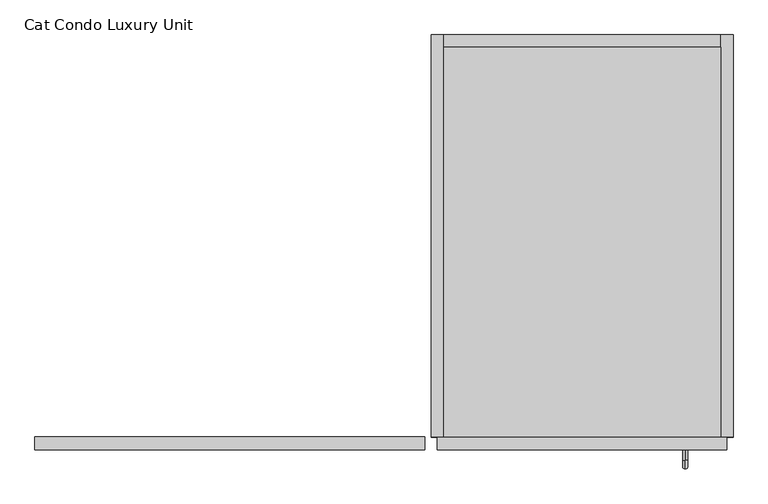
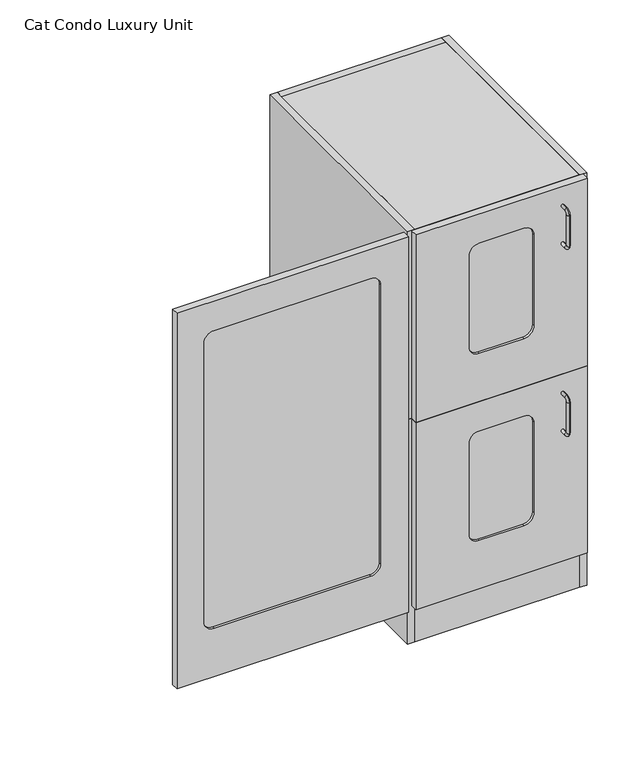
"""IFC4 building model written with IfcOpenShell, lengths in millimetres: proxy geometry, Cat Condo Luxury Unit."""

from ifc_helpers import new_model, si_unit, point, frame, frame_2d, origin, origin_with_axes, place, context, project, spatial, polyline, circle_curve, ellipse_curve, trimmed, segment, composite_curve, outline, extrude, source, transform, mapped, element, save
from ifc_brep_helpers import plane_surface, cylinder_surface, revolved_surface, advanced_brep


def cat_condo_luxury_unit_ffca6df4(model_context):
    return source(origin(), model_context, "Body", "SolidModel", [
        extrude(outline(composite_curve([segment(polyline([(1035.05, 504.03125), (1035.05, 103.98125)]), True, "CONTINUOUS"), segment(trimmed(circle_curve(frame_2d((1009.65, 103.98125)), 25.4), [point((1035.05, 103.98125))], [point((1009.65, 78.58125))], False, "CARTESIAN"), True, "CONTINUOUS"), segment(polyline([(1009.65, 78.58125), (257.175, 78.58125)]), True, "CONTINUOUS"), segment(trimmed(circle_curve(frame_2d((257.175, 103.98125)), 25.4), [point((257.175, 78.58125))], [point((231.775, 103.98125))], False, "CARTESIAN"), True, "CONTINUOUS"), segment(polyline([(231.775, 103.98125), (231.775, 504.03125)]), True, "CONTINUOUS"), segment(trimmed(circle_curve(frame_2d((257.175, 504.03125)), 25.4), [point((231.775, 504.03125))], [point((257.175, 529.43125))], False, "CARTESIAN"), True, "CONTINUOUS"), segment(polyline([(257.175, 529.43125), (1009.65, 529.43125)]), True, "CONTINUOUS"), segment(trimmed(circle_curve(frame_2d((1009.65, 504.03125)), 25.4), [point((1009.65, 529.43125))], [point((1035.05, 504.03125))], False, "CARTESIAN"), True, "CONTINUOUS")], self_intersect=False)), frame((0.0, -12.7, 0.0), z_axis=(0.0, 1.0, 0.0), x_axis=(0.0, 0.0, 1.0)), (0.0, 0.0, 1.0), 6.35),
        extrude(outline(polyline([(1114.425, 600.075), (1114.425, 9.525), (101.6, 9.525), (101.6, 600.075), (1114.425, 600.075)]), holes=[composite_curve([segment(polyline([(1035.05, 103.98125), (1035.05, 504.03125)]), True, "CONTINUOUS"), segment(trimmed(circle_curve(frame_2d((1009.65, 504.03125)), 25.4), [point((1035.05, 504.03125))], [point((1009.65, 529.43125))], True, "CARTESIAN"), True, "CONTINUOUS"), segment(polyline([(1009.65, 529.43125), (257.175, 529.43125)]), True, "CONTINUOUS"), segment(trimmed(circle_curve(frame_2d((257.175, 504.03125)), 25.4), [point((257.175, 529.43125))], [point((231.775, 504.03125))], True, "CARTESIAN"), True, "CONTINUOUS"), segment(polyline([(231.775, 504.03125), (231.775, 103.98125)]), True, "CONTINUOUS"), segment(trimmed(circle_curve(frame_2d((257.175, 103.98125)), 25.4), [point((231.775, 103.98125))], [point((257.175, 78.58125))], True, "CARTESIAN"), True, "CONTINUOUS"), segment(polyline([(257.175, 78.58125), (1009.65, 78.58125)]), True, "CONTINUOUS"), segment(trimmed(circle_curve(frame_2d((1009.65, 103.98125)), 25.4), [point((1009.65, 78.58125))], [point((1035.05, 103.98125))], True, "CARTESIAN"), True, "CONTINUOUS")], self_intersect=False)]), frame((0.0, -19.05, 0.0), z_axis=(0.0, 1.0, 0.0), x_axis=(0.0, 0.0, 1.0)), (0.0, 0.0, 1.0), 19.05),
        advanced_brep(
        [(994.1819084, -19.05, 551.6993154), (994.1819084, -19.05, 559.5506846), (994.1819084, -35.2117768, 551.6993154), (994.1819084, -35.2117768, 559.5506846), (994.1819084, -48.3756846, 546.3867768), (994.1819084, -40.5243154, 546.3867768), (994.1819084, -40.5243154, 463.2632232), (994.1819084, -48.3756846, 463.2632232), (994.1819084, -35.2117768, 450.0993154), (994.1819084, -35.2117768, 457.9506846), (994.1819084, -19.05, 457.9506846), (994.1819084, -19.05, 450.0993154)],
        [
            (0, 1, circle_curve(frame((994.1819084, -19.05, 555.625), z_axis=(0.0, 1.0, 0.0), x_axis=(0.0, 0.0, 1.0)), 3.9256846)),
            (1, 0, circle_curve(frame((994.1819084, -19.05, 555.625), z_axis=(0.0, 1.0, 0.0), x_axis=(0.0, 0.0, 1.0)), 3.9256846)),
            (0, 2),
            (2, 3, circle_curve(frame((994.1819084, -35.2117768, 555.625), z_axis=(0.0, 1.0, 0.0), x_axis=(0.0, 0.0, 1.0)), 3.9256846)),
            (3, 1),
            (3, 2, circle_curve(frame((994.1819084, -35.2117768, 555.625), z_axis=(0.0, 1.0, 0.0), x_axis=(0.0, 0.0, 1.0)), 3.9256846)),
            (4, 3, circle_curve(frame((994.1819084, -35.2117768, 546.3867768), z_axis=(-1.0, 0.0, 0.0), x_axis=(0.0, 0.0, 1.0)), 13.1639078)),
            (2, 5, circle_curve(frame((994.1819084, -35.2117768, 546.3867768), z_axis=(1.0, 0.0, 0.0), x_axis=(0.0, 0.0, 1.0)), 5.3125387)),
            (5, 4, circle_curve(frame((994.1819084, -44.45, 546.3867768), z_axis=(0.0, 0.0, 1.0), x_axis=(0.0, -1.0000000000000002, 0.0)), 3.9256846)),
            (4, 5, circle_curve(frame((994.1819084, -44.45, 546.3867768), z_axis=(0.0, 0.0, 1.0), x_axis=(0.0, -1.0000000000000002, 0.0)), 3.9256846)),
            (5, 6),
            (6, 7, circle_curve(frame((994.1819084, -44.45, 463.2632232), z_axis=(0.0, 0.0, 1.0), x_axis=(0.0, -1.0000000000000002, 0.0)), 3.9256846)),
            (7, 4),
            (7, 6, circle_curve(frame((994.1819084, -44.45, 463.2632232), z_axis=(0.0, 0.0, 1.0), x_axis=(0.0, -1.0000000000000002, 0.0)), 3.9256846)),
            (8, 7, circle_curve(frame((994.1819084, -35.2117768, 463.2632232), z_axis=(-1.0, 0.0, 0.0), x_axis=(0.0, -1.0000000000000002, 0.0)), 13.1639078)),
            (6, 9, circle_curve(frame((994.1819084, -35.2117768, 463.2632232), z_axis=(1.0, 0.0, 0.0), x_axis=(0.0, -1.0000000000000002, 0.0)), 5.3125387)),
            (9, 8, circle_curve(frame((994.1819084, -35.2117768, 454.025), z_axis=(0.0, -1.0000000000000002, 0.0), x_axis=(0.0, 0.0, -1.0)), 3.9256846)),
            (8, 9, circle_curve(frame((994.1819084, -35.2117768, 454.025), z_axis=(0.0, -1.0000000000000002, 0.0), x_axis=(0.0, 0.0, -1.0)), 3.9256846)),
            (10, 11, circle_curve(frame((994.1819084, -19.05, 454.025), z_axis=(0.0, 1.0, 0.0), x_axis=(0.0, 0.0, -1.0)), 3.9256846)),
            (11, 10, circle_curve(frame((994.1819084, -19.05, 454.025), z_axis=(0.0, 1.0, 0.0), x_axis=(0.0, 0.0, -1.0)), 3.9256846)),
            (9, 10),
            (11, 8),
        ],
        [
            plane_surface(frame((994.1819084, -19.05, 555.625), z_axis=(0.0, 1.0, 0.0), x_axis=(1.0, 0.0, 0.0))),
            cylinder_surface(frame((994.1819084, -19.05, 555.625), z_axis=(0.0, 1.0000000000000002, 0.0), x_axis=(0.0, 0.0, 1.0)), 3.9256846),
            revolved_surface(trimmed(ellipse_curve(frame((994.1819084, -35.2117768, 555.625), z_axis=(0.0, 1.0000000000000002, 0.0), x_axis=(0.0, 0.0, 1.0)), 3.9256846, 3.9256846), [point((994.1819084, -35.2117768, 551.6993154))], [point((994.1819084, -35.2117768, 559.5506846))], True, "CARTESIAN"), (994.1819084, -35.2117768, 546.3867768), (1.0000000000000002, 0.0, 0.0)),
            revolved_surface(trimmed(ellipse_curve(frame((994.1819084, -35.2117768, 555.625), z_axis=(0.0, 1.0000000000000002, 0.0), x_axis=(0.0, 0.0, 1.0)), 3.9256846, 3.9256846), [point((994.1819084, -35.2117768, 559.5506846))], [point((994.1819084, -35.2117768, 551.6993154))], True, "CARTESIAN"), (994.1819084, -35.2117768, 546.3867768), (1.0000000000000002, 0.0, 0.0)),
            cylinder_surface(frame((994.1819084, -44.45, 546.3867768), z_axis=(0.0, 0.0, 1.0), x_axis=(0.0, -1.0000000000000002, 0.0)), 3.9256846),
            revolved_surface(trimmed(ellipse_curve(frame((994.1819084, -44.45, 463.2632232), z_axis=(0.0, 0.0, 1.0), x_axis=(0.0, -1.0000000000000002, 0.0)), 3.9256846, 3.9256846), [point((994.1819084, -40.5243154, 463.2632232))], [point((994.1819084, -48.3756846, 463.2632232))], True, "CARTESIAN"), (994.1819084, -35.2117768, 463.2632232), (1.0000000000000002, 0.0, 0.0)),
            revolved_surface(trimmed(ellipse_curve(frame((994.1819084, -44.45, 463.2632232), z_axis=(0.0, 0.0, 1.0), x_axis=(0.0, -1.0000000000000002, 0.0)), 3.9256846, 3.9256846), [point((994.1819084, -48.3756846, 463.2632232))], [point((994.1819084, -40.5243154, 463.2632232))], True, "CARTESIAN"), (994.1819084, -35.2117768, 463.2632232), (1.0000000000000002, 0.0, 0.0)),
            plane_surface(frame((994.1819084, -19.05, 454.025), z_axis=(0.0, 1.0, 0.0), x_axis=(1.0, 0.0, 0.0))),
            cylinder_surface(frame((994.1819084, -35.2117768, 454.025), z_axis=(0.0, -1.0000000000000002, 0.0), x_axis=(0.0, 0.0, -1.0)), 3.9256846),
        ],
        [
            (0, [[1, 2]]),
            (1, [[-1, 3, 4, 5]]),
            (1, [[-2, -5, 6, -3]]),
            (2, [[7, -4, 8, 9]]),
            (3, [[-8, -6, -7, 10]]),
            (4, [[-9, 11, 12, 13]]),
            (4, [[-10, -13, 14, -11]]),
            (5, [[15, -12, 16, 17]]),
            (6, [[-16, -14, -15, 18]]),
            (7, [[19, 20]]),
            (8, [[-17, 21, -20, 22]]),
            (8, [[-18, -22, -19, -21]]),
        ],
    ),
        extrude(outline(polyline([(1047.75, 590.55), (1047.75, 0.0), (628.65, 0.0), (628.65, 590.55), (1047.75, 590.55)])), frame((0.0, 0.0, 587.375), z_axis=(0.0, 0.0, 1.0), x_axis=(1.0, 0.0, 0.0)), (0.0, 0.0, 1.0), 19.05),
        extrude(outline(polyline([(1047.75, 0.0), (628.65, 0.0), (628.65, 590.55), (1047.75, 590.55), (1047.75, 0.0)])), frame((0.0, 0.0, 101.6), z_axis=(0.0, 0.0, 1.0), x_axis=(1.0, 0.0, 0.0)), (0.0, 0.0, 1.0), 19.05),
        extrude(outline(polyline([(1047.75, 19.05), (1047.75, 0.0), (628.65, 0.0), (628.65, 19.05), (1047.75, 19.05)])), origin_with_axes(), (0.0, 0.0, 1.0), 101.6),
        extrude(outline(polyline([(1047.75, 609.6), (1066.8, 609.6), (1066.8, 0.0), (1047.75, 0.0), (1047.75, 609.6)])), origin_with_axes(), (0.0, 0.0, 1.0), 606.425),
        extrude(outline(polyline([(1047.75, 609.6), (1047.75, 590.55), (628.65, 590.55), (628.65, 609.6), (1047.75, 609.6)])), origin_with_axes(), (0.0, 0.0, 1.0), 606.425),
        extrude(outline(polyline([(628.65, 609.6), (628.65, 0.0), (609.6, 0.0), (609.6, 609.6), (628.65, 609.6)])), origin_with_axes(), (0.0, 0.0, 1.0), 606.425),
        extrude(outline(composite_curve([segment(polyline([(527.05, 895.35), (527.05, 781.05)]), True, "CONTINUOUS"), segment(trimmed(circle_curve(frame_2d((501.65, 781.05)), 25.4), [point((527.05, 781.05))], [point((501.65, 755.65))], False, "CARTESIAN"), True, "CONTINUOUS"), segment(polyline([(501.65, 755.65), (257.175, 755.65)]), True, "CONTINUOUS"), segment(trimmed(circle_curve(frame_2d((257.175, 781.05)), 25.4), [point((257.175, 755.65))], [point((231.775, 781.05))], False, "CARTESIAN"), True, "CONTINUOUS"), segment(polyline([(231.775, 781.05), (231.775, 895.35)]), True, "CONTINUOUS"), segment(trimmed(circle_curve(frame_2d((257.175, 895.35)), 25.4), [point((231.775, 895.35))], [point((257.175, 920.75))], False, "CARTESIAN"), True, "CONTINUOUS"), segment(polyline([(257.175, 920.75), (501.65, 920.75)]), True, "CONTINUOUS"), segment(trimmed(circle_curve(frame_2d((501.65, 895.35)), 25.4), [point((501.65, 920.75))], [point((527.05, 895.35))], False, "CARTESIAN"), True, "CONTINUOUS")], self_intersect=False)), frame((0.0, -12.7, 0.0), z_axis=(0.0, 1.0, 0.0), x_axis=(0.0, 0.0, 1.0)), (0.0, 0.0, 1.0), 6.35),
        extrude(outline(polyline([(606.425, 1057.275), (606.425, 619.125), (101.6, 619.125), (101.6, 1057.275), (606.425, 1057.275)]), holes=[composite_curve([segment(polyline([(527.05, 781.05), (527.05, 895.35)]), True, "CONTINUOUS"), segment(trimmed(circle_curve(frame_2d((501.65, 895.35)), 25.4), [point((527.05, 895.35))], [point((501.65, 920.75))], True, "CARTESIAN"), True, "CONTINUOUS"), segment(polyline([(501.65, 920.75), (257.175, 920.75)]), True, "CONTINUOUS"), segment(trimmed(circle_curve(frame_2d((257.175, 895.35)), 25.4), [point((257.175, 920.75))], [point((231.775, 895.35))], True, "CARTESIAN"), True, "CONTINUOUS"), segment(polyline([(231.775, 895.35), (231.775, 781.05)]), True, "CONTINUOUS"), segment(trimmed(circle_curve(frame_2d((257.175, 781.05)), 25.4), [point((231.775, 781.05))], [point((257.175, 755.65))], True, "CARTESIAN"), True, "CONTINUOUS"), segment(polyline([(257.175, 755.65), (501.65, 755.65)]), True, "CONTINUOUS"), segment(trimmed(circle_curve(frame_2d((501.65, 781.05)), 25.4), [point((501.65, 755.65))], [point((527.05, 781.05))], True, "CARTESIAN"), True, "CONTINUOUS")], self_intersect=False)]), frame((0.0, -19.05, 0.0), z_axis=(0.0, 1.0, 0.0), x_axis=(0.0, 0.0, 1.0)), (0.0, 0.0, 1.0), 19.05),
        advanced_brep(
        [(994.1819084, -40.5243154, 1051.2117768), (994.1819084, -35.2117768, 1056.5243154), (994.1819084, -35.2117768, 1064.3756846), (994.1819084, -48.3756846, 1051.2117768), (994.1819084, -19.05, 1056.5243154), (994.1819084, -19.05, 1064.3756846), (994.1819084, -40.5243154, 968.0882232), (994.1819084, -48.3756846, 968.0882232), (994.1819084, -35.2117768, 954.9243154), (994.1819084, -35.2117768, 962.7756846), (994.1819084, -19.05, 962.7756846), (994.1819084, -19.05, 954.9243154)],
        [
            (0, 1, circle_curve(frame((994.1819084, -35.2117768, 1051.2117768), z_axis=(-1.0, 0.0, 0.0), x_axis=(0.0, 0.0, 1.0)), 5.3125387)),
            (1, 2, circle_curve(frame((994.1819084, -35.2117768, 1060.45), z_axis=(0.0, -1.0000000000000002, 0.0), x_axis=(0.0, 0.0, 1.0)), 3.9256846)),
            (2, 3, circle_curve(frame((994.1819084, -35.2117768, 1051.2117768), z_axis=(1.0, 0.0, 0.0), x_axis=(0.0, 0.0, 1.0)), 13.1639078)),
            (3, 0, circle_curve(frame((994.1819084, -44.45, 1051.2117768), z_axis=(0.0, 0.0, 1.0), x_axis=(0.0, -1.0000000000000002, 0.0)), 3.9256846)),
            (4, 5, circle_curve(frame((994.1819084, -19.05, 1060.45), z_axis=(0.0, 1.0, 0.0), x_axis=(0.0, 0.0, 1.0)), 3.9256846)),
            (5, 4, circle_curve(frame((994.1819084, -19.05, 1060.45), z_axis=(0.0, 1.0, 0.0), x_axis=(0.0, 0.0, 1.0)), 3.9256846)),
            (4, 1),
            (1, 2, circle_curve(frame((994.1819084, -35.2117768, 1060.45), z_axis=(0.0, 1.0, 0.0), x_axis=(0.0, 0.0, 1.0)), 3.9256846)),
            (2, 5),
            (0, 3, circle_curve(frame((994.1819084, -44.45, 1051.2117768), z_axis=(0.0, 0.0, 1.0), x_axis=(0.0, -1.0000000000000002, 0.0)), 3.9256846)),
            (0, 6),
            (6, 7, circle_curve(frame((994.1819084, -44.45, 968.0882232), z_axis=(0.0, 0.0, 1.0), x_axis=(0.0, -1.0000000000000002, 0.0)), 3.9256846)),
            (7, 3),
            (7, 6, circle_curve(frame((994.1819084, -44.45, 968.0882232), z_axis=(0.0, 0.0, 1.0), x_axis=(0.0, -1.0000000000000002, 0.0)), 3.9256846)),
            (8, 7, circle_curve(frame((994.1819084, -35.2117768, 968.0882232), z_axis=(-1.0, 0.0, 0.0), x_axis=(0.0, -1.0000000000000002, 0.0)), 13.1639078)),
            (6, 9, circle_curve(frame((994.1819084, -35.2117768, 968.0882232), z_axis=(1.0, 0.0, 0.0), x_axis=(0.0, -1.0000000000000002, 0.0)), 5.3125387)),
            (9, 8, circle_curve(frame((994.1819084, -35.2117768, 958.85), z_axis=(0.0, -1.0000000000000002, 0.0), x_axis=(0.0, 0.0, -1.0)), 3.9256846)),
            (8, 9, circle_curve(frame((994.1819084, -35.2117768, 958.85), z_axis=(0.0, -1.0000000000000002, 0.0), x_axis=(0.0, 0.0, -1.0)), 3.9256846)),
            (10, 11, circle_curve(frame((994.1819084, -19.05, 958.85), z_axis=(0.0, 1.0, 0.0), x_axis=(0.0, 0.0, -1.0)), 3.9256846)),
            (11, 10, circle_curve(frame((994.1819084, -19.05, 958.85), z_axis=(0.0, 1.0, 0.0), x_axis=(0.0, 0.0, -1.0)), 3.9256846)),
            (9, 10),
            (11, 8),
        ],
        [
            revolved_surface(trimmed(ellipse_curve(frame((994.1819084, -35.2117768, 1060.45), z_axis=(0.0, 1.0000000000000002, 0.0), x_axis=(0.0, 0.0, 1.0)), 3.9256846, 3.9256846), [point((994.1819084, -35.2117768, 1064.3756846))], [point((994.1819084, -35.2117768, 1056.5243154))], True, "CARTESIAN"), (994.1819084, -35.2117768, 1051.2117768), (1.0000000000000002, 0.0, 0.0)),
            plane_surface(frame((994.1819084, -19.05, 1060.45), z_axis=(0.0, 1.0, 0.0), x_axis=(1.0, 0.0, 0.0))),
            cylinder_surface(frame((994.1819084, -19.05, 1060.45), z_axis=(0.0, 1.0000000000000002, 0.0), x_axis=(0.0, 0.0, 1.0)), 3.9256846),
            revolved_surface(trimmed(ellipse_curve(frame((994.1819084, -35.2117768, 1060.45), z_axis=(0.0, 1.0000000000000002, 0.0), x_axis=(0.0, 0.0, 1.0)), 3.9256846, 3.9256846), [point((994.1819084, -35.2117768, 1056.5243154))], [point((994.1819084, -35.2117768, 1064.3756846))], True, "CARTESIAN"), (994.1819084, -35.2117768, 1051.2117768), (1.0000000000000002, 0.0, 0.0)),
            cylinder_surface(frame((994.1819084, -44.45, 1051.2117768), z_axis=(0.0, 0.0, 1.0), x_axis=(0.0, -1.0000000000000002, 0.0)), 3.9256846),
            revolved_surface(trimmed(ellipse_curve(frame((994.1819084, -44.45, 968.0882232), z_axis=(0.0, 0.0, 1.0), x_axis=(0.0, -1.0000000000000002, 0.0)), 3.9256846, 3.9256846), [point((994.1819084, -40.5243154, 968.0882232))], [point((994.1819084, -48.3756846, 968.0882232))], True, "CARTESIAN"), (994.1819084, -35.2117768, 968.0882232), (1.0000000000000002, 0.0, 0.0)),
            revolved_surface(trimmed(ellipse_curve(frame((994.1819084, -44.45, 968.0882232), z_axis=(0.0, 0.0, 1.0), x_axis=(0.0, -1.0000000000000002, 0.0)), 3.9256846, 3.9256846), [point((994.1819084, -48.3756846, 968.0882232))], [point((994.1819084, -40.5243154, 968.0882232))], True, "CARTESIAN"), (994.1819084, -35.2117768, 968.0882232), (1.0000000000000002, 0.0, 0.0)),
            plane_surface(frame((994.1819084, -19.05, 958.85), z_axis=(0.0, 1.0, 0.0), x_axis=(1.0, 0.0, 0.0))),
            cylinder_surface(frame((994.1819084, -35.2117768, 958.85), z_axis=(0.0, -1.0000000000000002, 0.0), x_axis=(0.0, 0.0, -1.0)), 3.9256846),
        ],
        [
            (0, [[1, 2, 3, 4]]),
            (1, [[5, 6]]),
            (2, [[-5, 7, 8, 9]]),
            (2, [[-6, -9, -2, -7]]),
            (3, [[-3, -8, -1, 10]]),
            (4, [[-10, 11, 12, 13]]),
            (4, [[-4, -13, 14, -11]]),
            (5, [[15, -12, 16, 17]]),
            (6, [[-16, -14, -15, 18]]),
            (7, [[19, 20]]),
            (8, [[-17, 21, -20, 22]]),
            (8, [[-18, -22, -19, -21]]),
        ],
    ),
        extrude(outline(polyline([(1047.75, 590.55), (1047.75, 0.0), (628.65, 0.0), (628.65, 590.55), (1047.75, 590.55)])), frame((0.0, 0.0, 1093.7875), z_axis=(0.0, 0.0, 1.0), x_axis=(1.0, 0.0, 0.0)), (0.0, 0.0, 1.0), 19.05),
        extrude(outline(polyline([(1047.75, 0.0), (628.65, 0.0), (628.65, 590.55), (1047.75, 590.55), (1047.75, 0.0)])), frame((0.0, 0.0, 606.425), z_axis=(0.0, 0.0, 1.0), x_axis=(1.0, 0.0, 0.0)), (0.0, 0.0, 1.0), 19.05),
        extrude(outline(polyline([(1047.75, 609.6), (1066.8, 609.6), (1066.8, 0.0), (1047.75, 0.0), (1047.75, 609.6)])), frame((0.0, 0.0, 606.425), z_axis=(0.0, 0.0, 1.0), x_axis=(1.0, 0.0, 0.0)), (0.0, 0.0, 1.0), 506.4125),
        extrude(outline(polyline([(1047.75, 609.6), (1047.75, 590.55), (628.65, 590.55), (628.65, 609.6), (1047.75, 609.6)])), frame((0.0, 0.0, 606.425), z_axis=(0.0, 0.0, 1.0), x_axis=(1.0, 0.0, 0.0)), (0.0, 0.0, 1.0), 506.4125),
        extrude(outline(polyline([(628.65, 609.6), (628.65, 0.0), (609.6, 0.0), (609.6, 609.6), (628.65, 609.6)])), frame((0.0, 0.0, 606.425), z_axis=(0.0, 0.0, 1.0), x_axis=(1.0, 0.0, 0.0)), (0.0, 0.0, 1.0), 506.4125),
        extrude(outline(composite_curve([segment(polyline([(1033.4625, 895.35), (1033.4625, 781.05)]), True, "CONTINUOUS"), segment(trimmed(circle_curve(frame_2d((1008.0625, 781.05)), 25.4), [point((1033.4625, 781.05))], [point((1008.0625, 755.65))], False, "CARTESIAN"), True, "CONTINUOUS"), segment(polyline([(1008.0625, 755.65), (762.0, 755.65)]), True, "CONTINUOUS"), segment(trimmed(circle_curve(frame_2d((762.0, 781.05)), 25.4), [point((762.0, 755.65))], [point((736.6, 781.05))], False, "CARTESIAN"), True, "CONTINUOUS"), segment(polyline([(736.6, 781.05), (736.6, 895.35)]), True, "CONTINUOUS"), segment(trimmed(circle_curve(frame_2d((762.0, 895.35)), 25.4), [point((736.6, 895.35))], [point((762.0, 920.75))], False, "CARTESIAN"), True, "CONTINUOUS"), segment(polyline([(762.0, 920.75), (1008.0625, 920.75)]), True, "CONTINUOUS"), segment(trimmed(circle_curve(frame_2d((1008.0625, 895.35)), 25.4), [point((1008.0625, 920.75))], [point((1033.4625, 895.35))], False, "CARTESIAN"), True, "CONTINUOUS")], self_intersect=False)), frame((0.0, -12.7, 0.0), z_axis=(0.0, 1.0, 0.0), x_axis=(0.0, 0.0, 1.0)), (0.0, 0.0, 1.0), 6.35),
        extrude(outline(polyline([(1112.8375, 1057.275), (1112.8375, 619.125), (606.425, 619.125), (606.425, 1057.275), (1112.8375, 1057.275)]), holes=[composite_curve([segment(polyline([(1033.4625, 781.05), (1033.4625, 895.35)]), True, "CONTINUOUS"), segment(trimmed(circle_curve(frame_2d((1008.0625, 895.35)), 25.4), [point((1033.4625, 895.35))], [point((1008.0625, 920.75))], True, "CARTESIAN"), True, "CONTINUOUS"), segment(polyline([(1008.0625, 920.75), (762.0, 920.75)]), True, "CONTINUOUS"), segment(trimmed(circle_curve(frame_2d((762.0, 895.35)), 25.4), [point((762.0, 920.75))], [point((736.6, 895.35))], True, "CARTESIAN"), True, "CONTINUOUS"), segment(polyline([(736.6, 895.35), (736.6, 781.05)]), True, "CONTINUOUS"), segment(trimmed(circle_curve(frame_2d((762.0, 781.05)), 25.4), [point((736.6, 781.05))], [point((762.0, 755.65))], True, "CARTESIAN"), True, "CONTINUOUS"), segment(polyline([(762.0, 755.65), (1008.0625, 755.65)]), True, "CONTINUOUS"), segment(trimmed(circle_curve(frame_2d((1008.0625, 781.05)), 25.4), [point((1008.0625, 755.65))], [point((1033.4625, 781.05))], True, "CARTESIAN"), True, "CONTINUOUS")], self_intersect=False)]), frame((0.0, -19.05, 0.0), z_axis=(0.0, 1.0, 0.0), x_axis=(0.0, 0.0, 1.0)), (0.0, 0.0, 1.0), 19.05),
    ])


if __name__ == "__main__":
    model = new_model("IFC4")
    model_context = context("Model", 3, world=origin())
    ifc_project = project(units=[si_unit("LENGTHUNIT", "METRE", prefix="MILLI")], contexts=[model_context])
    site = spatial("IfcSite", under=ifc_project)
    building = spatial("IfcBuilding", under=site)
    placement = place(None, origin())
    cat_condo_luxury_unit_shape = cat_condo_luxury_unit_ffca6df4(model_context)
    element("IfcBuildingElementProxy", 1, Name="Cat Condo Luxury Unit", ObjectType="Cat Condo Luxury Unit", at=placement, inside=building, context=model_context, shape_type="MappedRepresentation", body=[
        mapped(cat_condo_luxury_unit_shape, transform((0.0, 0.0, 0.0), x_axis=(1.0, 0.0, 0.0), y_axis=(0.0, 1.0, 0.0), z_axis=(0.0, 0.0, 1.0))),
    ])
    save(model, "model.ifc")
